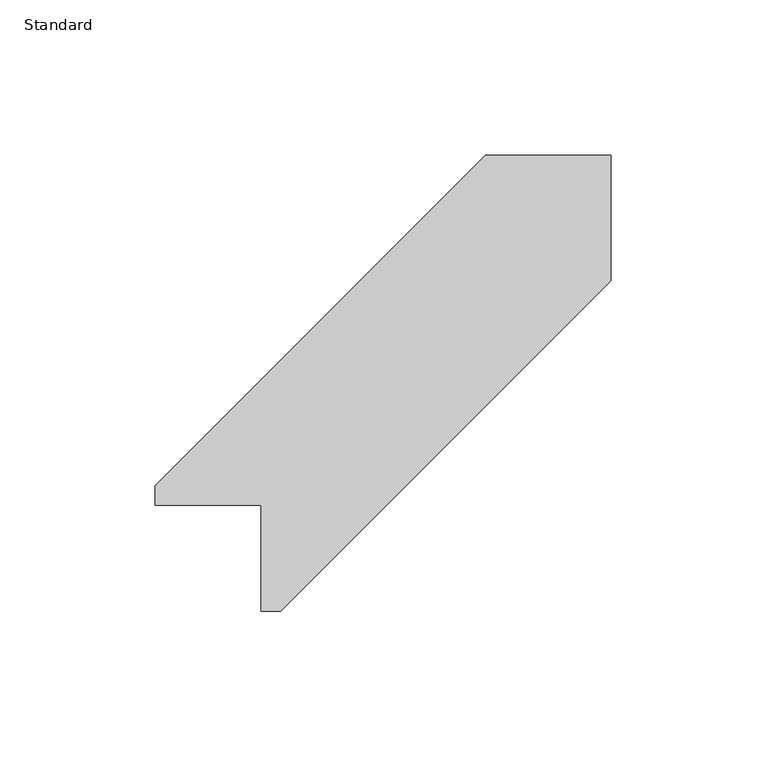
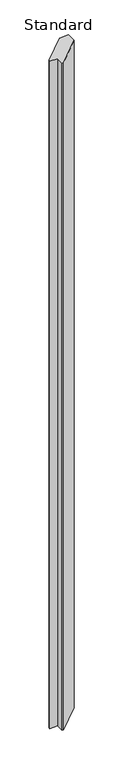
"""IFC4 building model written with IfcOpenShell, lengths in millimetres: column geometry, Standard."""

from ifc_helpers import new_model, si_unit, origin, origin_with_axes, place, context, project, spatial, polyline, outline, extrude, source, transform, mapped, element, save


def standard_baabb206(model_context):
    return source(origin(), model_context, "Body", "SweptSolid", [
        extrude(outline(polyline([(-34.0611703, 6.35), (72.3013297, 112.7125), (112.7125, 112.7125), (112.7125, 72.3013652), (6.35, -34.0611348), (0.0, -34.0611348), (0.0, 0.0), (-34.0611703, 0.0), (-34.0611703, 6.35)])), origin_with_axes(), (0.0, 0.0, 1.0), 3048.0),
    ])


if __name__ == "__main__":
    model = new_model("IFC4")
    model_context = context("Model", 3, world=origin())
    ifc_project = project(units=[si_unit("LENGTHUNIT", "METRE", prefix="MILLI")], contexts=[model_context])
    site = spatial("IfcSite", under=ifc_project)
    building = spatial("IfcBuilding", under=site)
    placement = place(None, origin())
    standard_shape = standard_baabb206(model_context)
    element("IfcColumn", 1, ObjectType="Standard", at=placement, inside=building, context=model_context, shape_type="MappedRepresentation", body=[
        mapped(standard_shape, transform((0.0, 0.0, 0.0), x_axis=(1.0, 0.0, 0.0), y_axis=(0.0, 1.0, 0.0), z_axis=(0.0, 0.0, 1.0))),
    ])
    save(model, "model.ifc")
